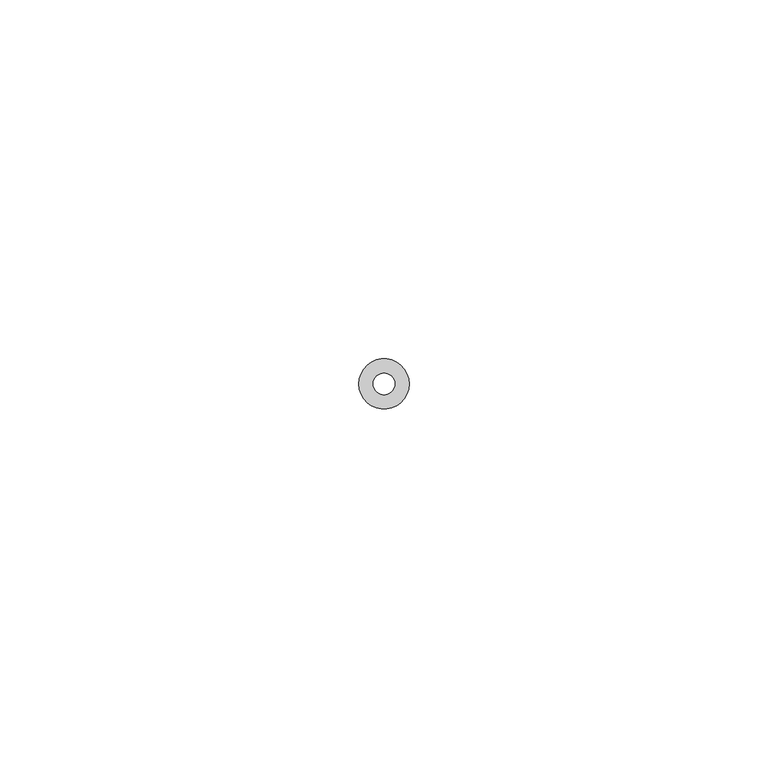
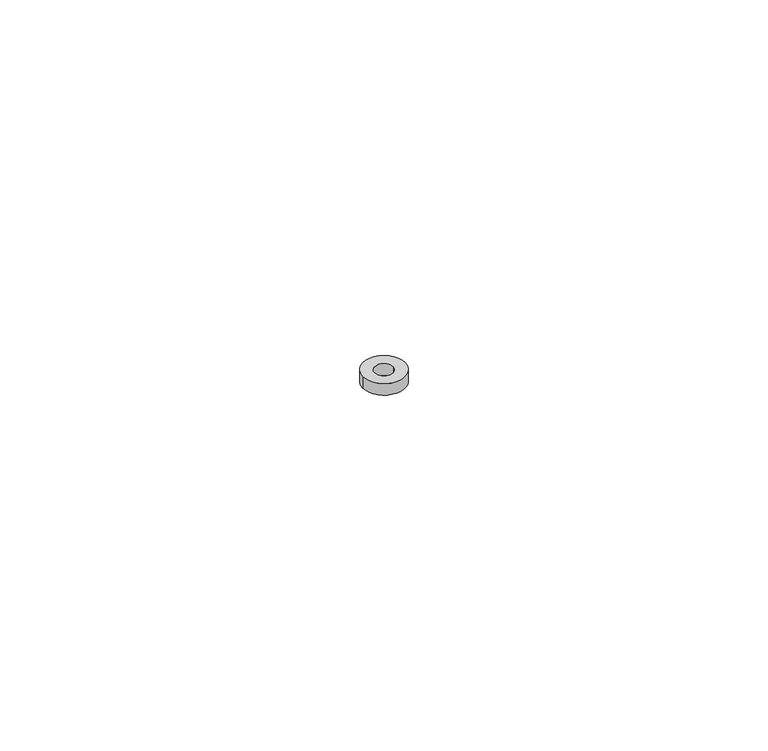
"""IFC4 building model written with IfcOpenShell, lengths in millimetres: proxy geometry."""

from ifc_helpers import new_model, si_unit, point, frame, origin, origin_2d, place, context, project, spatial, circle_curve, trimmed, segment, composite_curve, outline, extrude, source, transform, mapped, element, save


def generic_models_8f8e51d0(model_context):
    return source(origin(), model_context, "Body", "SweptSolid", [
        extrude(outline(composite_curve([segment(trimmed(circle_curve(origin_2d(), 3.5), [point((-3.5, 0.0))], [point((3.5, 0.0))], False, "CARTESIAN"), True, "CONTINUOUS"), segment(trimmed(circle_curve(origin_2d(), 3.5), [point((3.5, 0.0))], [point((-3.5, 0.0))], False, "CARTESIAN"), True, "CONTINUOUS")], self_intersect=False), holes=[composite_curve([segment(trimmed(circle_curve(origin_2d(), 1.5), [point((1.5, 0.0))], [point((-1.5, 0.0))], True, "CARTESIAN"), True, "CONTINUOUS"), segment(trimmed(circle_curve(origin_2d(), 1.5), [point((-1.5, 0.0))], [point((1.5, 0.0))], True, "CARTESIAN"), True, "CONTINUOUS")], self_intersect=False)]), frame((0.0, 0.0, -1.0), z_axis=(0.0, 0.0, 1.0), x_axis=(1.0, 0.0, 0.0)), (0.0, 0.0, 1.0), 2.0),
    ])


if __name__ == "__main__":
    model = new_model("IFC4")
    model_context = context("Model", 3, world=origin())
    ifc_project = project(units=[si_unit("LENGTHUNIT", "METRE", prefix="MILLI")], contexts=[model_context])
    site = spatial("IfcSite", under=ifc_project)
    building = spatial("IfcBuilding", under=site)
    placement = place(None, origin())
    generic_models_shape = generic_models_8f8e51d0(model_context)
    element("IfcBuildingElementProxy", 1, Name="Generic Models", at=placement, inside=building, context=model_context, shape_type="MappedRepresentation", body=[
        mapped(generic_models_shape, transform((0.0, 0.0, 0.0), x_axis=(1.0, 0.0, 0.0), y_axis=(0.0, 1.0, 0.0), z_axis=(0.0, 0.0, 1.0))),
    ])
    save(model, "model.ifc")
